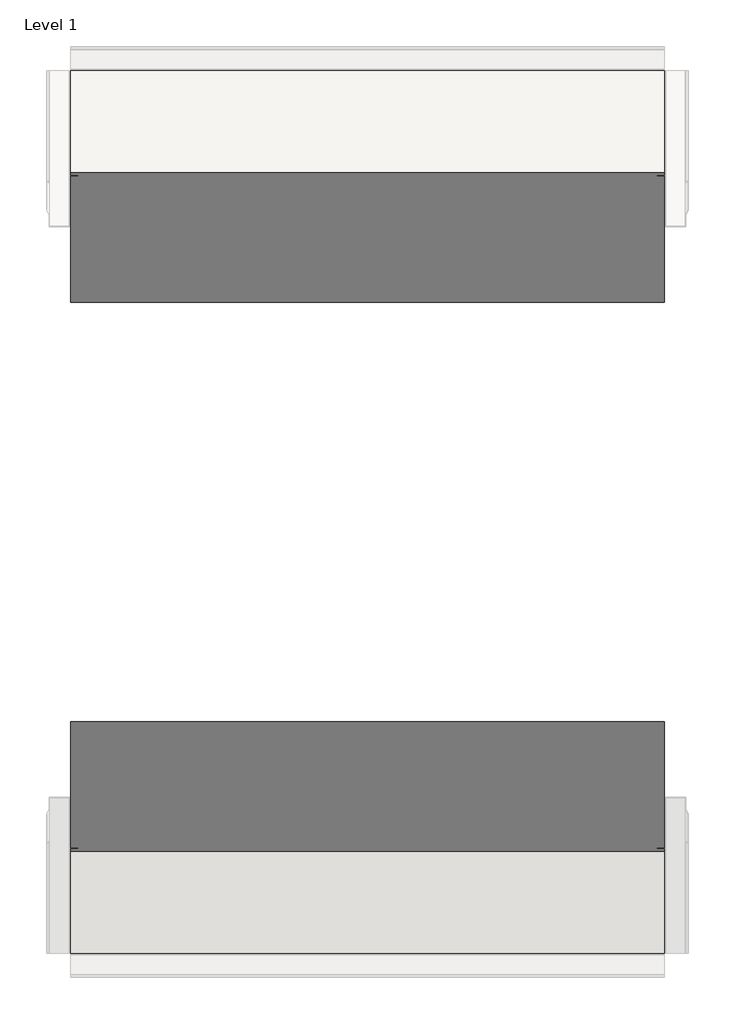
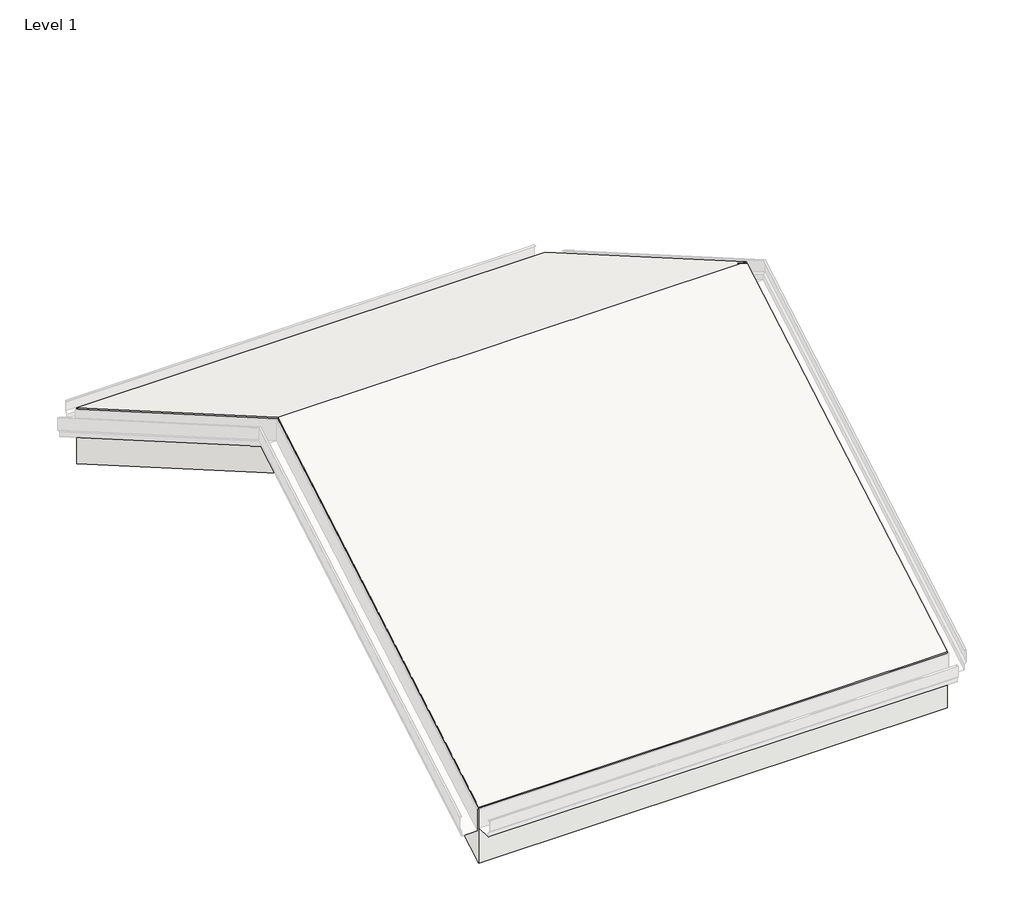
# One storey, part 6 of 16: 1 roof.
"""IFC4 building model written with IfcOpenShell, lengths in millimetres."""

from ifc_helpers import new_model, si_unit, frame, origin, place, context, project, spatial, polyline, outline, extrude, element, save

model = new_model("IFC4")

# Units and contexts
model_context = context("Model", 3, world=origin())
ifc_project = project(units=[si_unit("LENGTHUNIT", "METRE", prefix="MILLI")], contexts=[model_context])

# Site, building, storey
site = spatial("IfcSite", under=ifc_project)
building = spatial("IfcBuilding", under=site)
storey = spatial("IfcBuildingStorey", under=building, Name="Level 1", Elevation=0.0)

# Roof
placement = place(None, origin())
element("IfcRoof", 1, at=placement, inside=storey, context=model_context, shape_type="SweptSolid", body=[
    extrude(outline(polyline([(11282.5320962, 674.5760545), (15244.9320962, 2962.2687612), (19207.3320962, 674.5760545), (19207.3320962, 0.0), (15244.9320962, 2287.6927066), (11282.5320962, 0.0), (11282.5320962, 674.5760545)])), frame((-50539.4498439, 0.0, 0.0), z_axis=(1.0, 0.0, 0.0), x_axis=(0.0, 1.0, 0.0)), (0.0, 0.0, 1.0), 5334.0),
])

save(model, "model.ifc")
